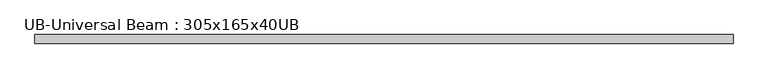
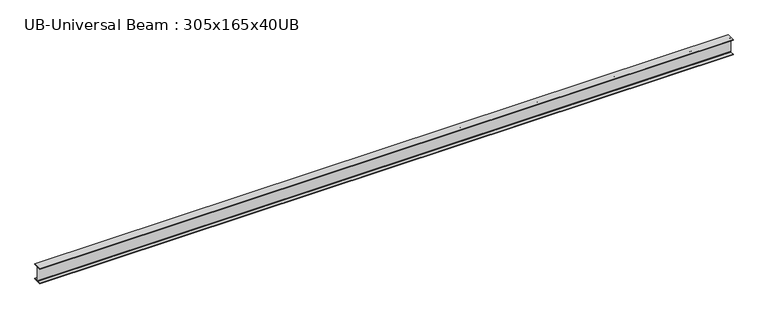
"""IFC4 building model written with IfcOpenShell, lengths in millimetres: beam geometry, UB-Universal Beam : 305x165x40UB."""

from ifc_helpers import new_model, si_unit, point, frame, frame_2d, origin, place, context, project, spatial, polyline, circle_curve, trimmed, segment, composite_curve, outline, extrude, source, transform, mapped, element, save


def ub_universal_beam_305x165x40ub_1ec4e0cc(model_context):
    return source(origin(), model_context, "Body", "SweptSolid", [
        extrude(outline(composite_curve([segment(polyline([(82.5, -141.5), (82.5, -151.7), (-82.5, -151.7), (-82.5, -141.5), (-11.9, -141.5)]), True, "CONTINUOUS"), segment(trimmed(circle_curve(frame_2d((-11.9, -132.6)), 8.9), [point((-11.9, -141.5))], [point((-3.0, -132.6))], True, "CARTESIAN"), True, "CONTINUOUS"), segment(polyline([(-3.0, -132.6), (-3.0, 132.6)]), True, "CONTINUOUS"), segment(trimmed(circle_curve(frame_2d((-11.9, 132.6)), 8.9), [point((-3.0, 132.6))], [point((-11.9, 141.5))], True, "CARTESIAN"), True, "CONTINUOUS"), segment(polyline([(-11.9, 141.5), (-82.5, 141.5), (-82.5, 151.7), (82.5, 151.7), (82.5, 141.5), (11.9, 141.5)]), True, "CONTINUOUS"), segment(trimmed(circle_curve(frame_2d((11.9, 132.6)), 8.9), [point((11.9, 141.5))], [point((3.0, 132.6))], True, "CARTESIAN"), True, "CONTINUOUS"), segment(polyline([(3.0, 132.6), (3.0, -132.6)]), True, "CONTINUOUS"), segment(trimmed(circle_curve(frame_2d((11.9, -132.6)), 8.9), [point((3.0, -132.6))], [point((11.9, -141.5))], True, "CARTESIAN"), True, "CONTINUOUS"), segment(polyline([(11.9, -141.5), (82.5, -141.5)]), True, "CONTINUOUS")], self_intersect=False)), frame((-6650.95, 0.0, 0.0), z_axis=(1.0, 0.0, 0.0), x_axis=(0.0, 1.0, 0.0)), (0.0, 0.0, 1.0), 13301.9),
    ])


if __name__ == "__main__":
    model = new_model("IFC4")
    model_context = context("Model", 3, world=origin())
    ifc_project = project(units=[si_unit("LENGTHUNIT", "METRE", prefix="MILLI")], contexts=[model_context])
    site = spatial("IfcSite", under=ifc_project)
    building = spatial("IfcBuilding", under=site)
    placement = place(None, origin())
    ub_universal_beam_305x165x40ub_shape = ub_universal_beam_305x165x40ub_1ec4e0cc(model_context)
    element("IfcBeam", 1, ObjectType="UB-Universal Beam : 305x165x40UB", at=placement, inside=building, context=model_context, shape_type="MappedRepresentation", body=[
        mapped(ub_universal_beam_305x165x40ub_shape, transform((0.0, 0.0, 0.0), x_axis=(1.0, 0.0, 0.0), y_axis=(0.0, 1.0, 0.0), z_axis=(0.0, 0.0, 1.0))),
    ])
    save(model, "model.ifc")
